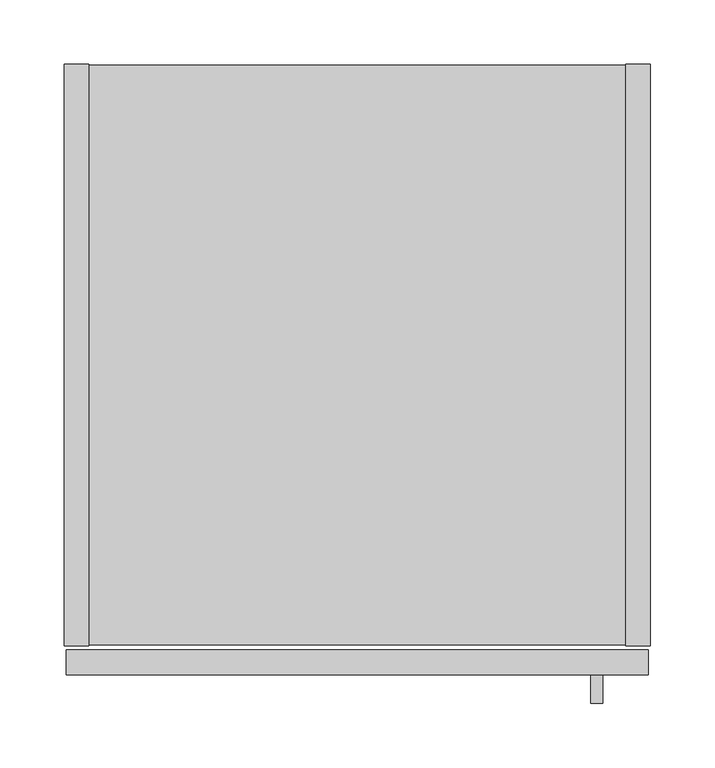
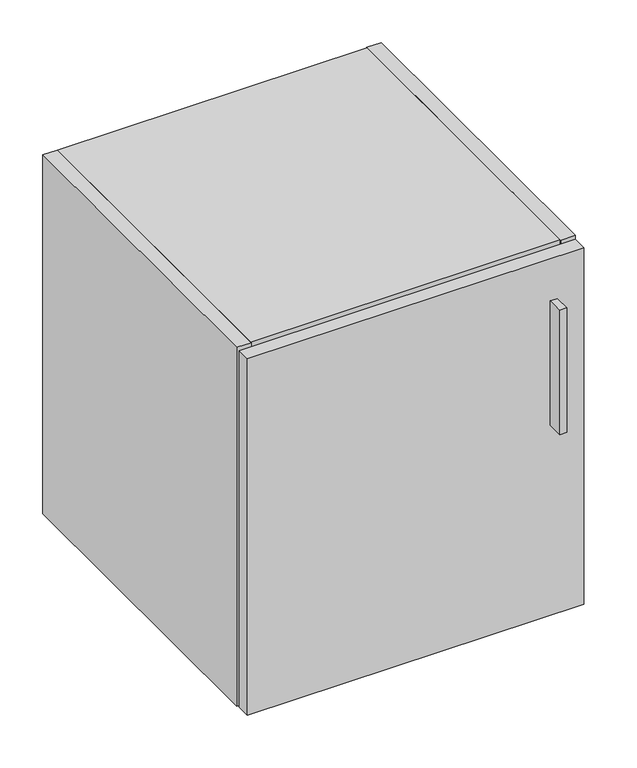
"""IFC4 building model written with IfcOpenShell, lengths in millimetres: furniture geometry."""

from ifc_helpers import new_model, si_unit, point, frame, frame_2d, origin, place, context, project, spatial, polyline, circle_curve, trimmed, segment, composite_curve, outline, extrude, source, transform, mapped, element, save


def furniture_ce4e54ad(model_context):
    return source(origin(), model_context, "Body", "SweptSolid", [
        extrude(outline(polyline([(420.0513631, -498.729), (410.5263631, -498.729), (410.5263631, -476.504), (420.0513631, -476.504), (420.0513631, -498.729)])), frame((0.0, 0.0, 596.9), z_axis=(0.0, 0.0, 1.0), x_axis=(1.0, 0.0, 0.0)), (0.0, 0.0, 1.0), 177.8),
        extrude(outline(polyline([(455.6125, -476.504), (1.5875, -476.504), (1.5875, -457.2), (455.6125, -457.2), (455.6125, -476.504)])), frame((0.0, 0.0, 325.628), z_axis=(0.0, 0.0, 1.0), x_axis=(1.0, 0.0, 0.0)), (0.0, 0.0, 1.0), 509.397),
        extrude(outline(polyline([(19.304, 0.0), (19.304, -454.025), (0.0, -454.025), (0.0, 0.0), (19.304, 0.0)])), frame((0.0, 0.0, 325.628), z_axis=(0.0, 0.0, 1.0), x_axis=(1.0, 0.0, 0.0)), (0.0, 0.0, 1.0), 512.572),
        extrude(outline(composite_curve([segment(polyline([(-454.025, 838.2), (0.0, 838.2), (0.0, 761.492), (-9.3963729, 761.492)]), True, "CONTINUOUS"), segment(trimmed(circle_curve(frame_2d((-9.3963729, 758.1883729)), 3.3036271), [point((-9.3963729, 761.492))], [point((-12.7, 758.1883729))], True, "CARTESIAN"), True, "CONTINUOUS"), segment(polyline([(-12.7, 758.1883729), (-12.7, 656.844)]), True, "CONTINUOUS"), segment(trimmed(circle_curve(frame_2d((-9.398, 656.844)), 3.302), [point((-12.7, 656.844))], [point((-9.398, 653.542))], True, "CARTESIAN"), True, "CONTINUOUS"), segment(polyline([(-9.398, 653.542), (0.0, 653.542), (0.0, 325.628), (-454.025, 325.628), (-454.025, 838.2)]), True, "CONTINUOUS")], self_intersect=False)), frame((437.896, 0.0, 0.0), z_axis=(1.0, 0.0, 0.0), x_axis=(0.0, 1.0, 0.0)), (0.0, 0.0, 1.0), 19.304),
        extrude(outline(polyline([(437.896, -0.9906), (437.896, -453.0344), (19.304, -453.0344), (19.304, -0.9906), (437.896, -0.9906)])), frame((0.0, 0.0, 326.6186), z_axis=(0.0, 0.0, 1.0), x_axis=(1.0, 0.0, 0.0)), (0.0, 0.0, 1.0), 19.304),
        extrude(outline(composite_curve([segment(polyline([(-32.004, 818.896), (-11.938, 818.896), (-11.938, 760.2988429)]), True, "CONTINUOUS"), segment(trimmed(circle_curve(frame_2d((-9.3963729, 758.1883729)), 3.3036271), [point((-11.938, 760.2988429))], [point((-12.7, 758.1883729))], True, "CARTESIAN"), True, "CONTINUOUS"), segment(polyline([(-12.7, 758.1883729), (-12.7, 656.844)]), True, "CONTINUOUS"), segment(trimmed(circle_curve(frame_2d((-9.398, 656.844)), 3.302), [point((-12.7, 656.844))], [point((-11.938, 654.7341175))], True, "CARTESIAN"), True, "CONTINUOUS"), segment(polyline([(-11.938, 654.7341175), (-11.938, 345.9226), (-32.004, 345.9226), (-32.004, 818.896)]), True, "CONTINUOUS")], self_intersect=False)), frame((19.304, 0.0, 0.0), z_axis=(1.0, 0.0, 0.0), x_axis=(0.0, 1.0, 0.0)), (0.0, 0.0, 1.0), 418.592),
        extrude(outline(polyline([(437.896, -453.0344), (19.304, -453.0344), (19.304, -0.9906), (437.896, -0.9906), (437.896, -453.0344)])), frame((0.0, 0.0, 818.896), z_axis=(0.0, 0.0, 1.0), x_axis=(1.0, 0.0, 0.0)), (0.0, 0.0, 1.0), 19.304),
    ])


if __name__ == "__main__":
    model = new_model("IFC4")
    model_context = context("Model", 3, world=origin())
    ifc_project = project(units=[si_unit("LENGTHUNIT", "METRE", prefix="MILLI")], contexts=[model_context])
    site = spatial("IfcSite", under=ifc_project)
    building = spatial("IfcBuilding", under=site)
    placement = place(None, origin())
    furniture_shape = furniture_ce4e54ad(model_context)
    element("IfcFurniture", 1, at=placement, inside=building, context=model_context, shape_type="MappedRepresentation", body=[
        mapped(furniture_shape, transform((0.0, 0.0, 0.0), x_axis=(1.0, 0.0, 0.0), y_axis=(0.0, 1.0, 0.0), z_axis=(0.0, 0.0, 1.0))),
    ])
    save(model, "model.ifc")
